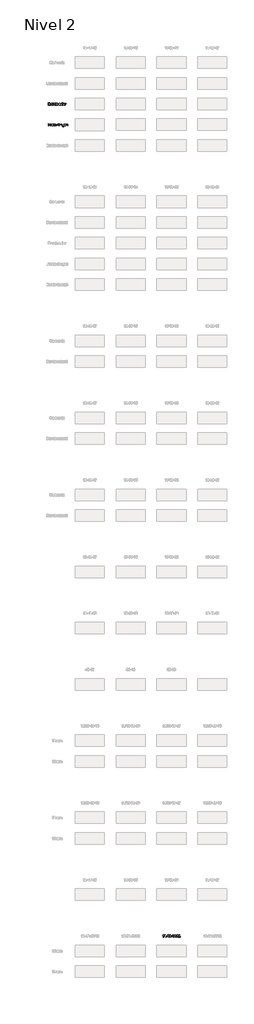
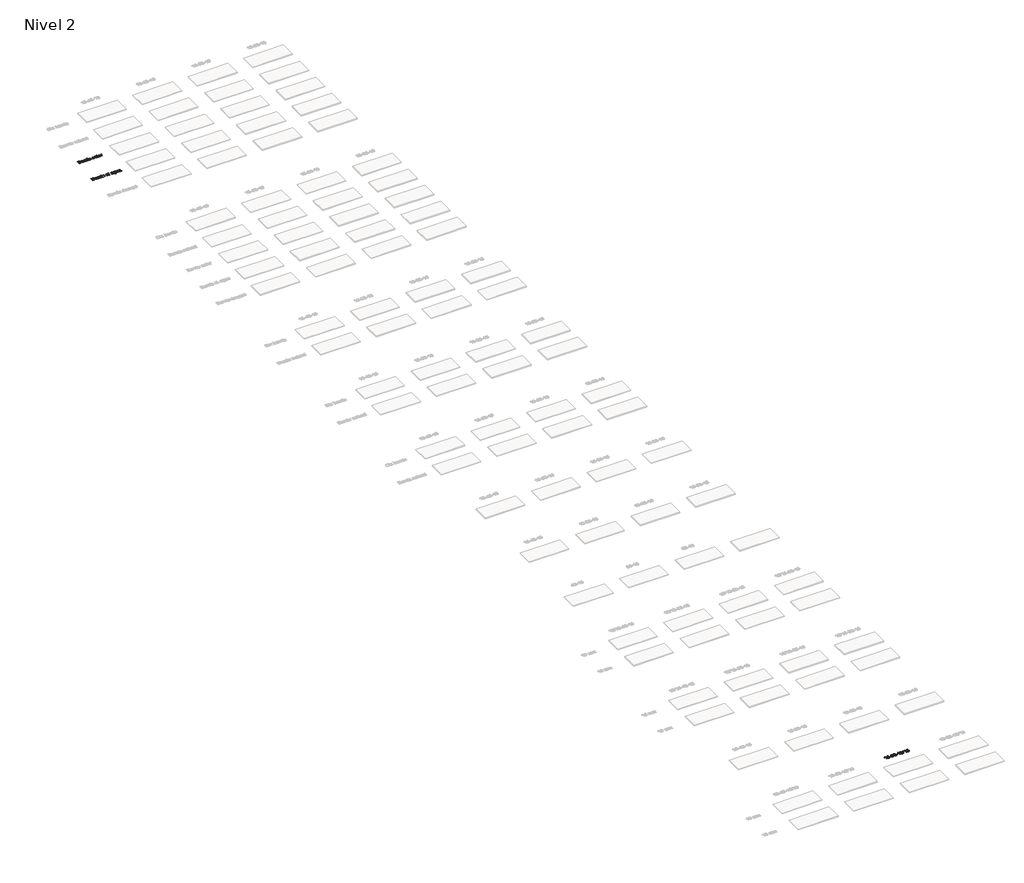
# One storey, part 15 of 51: 3 proxies.
"""IFC4 building model written with IfcOpenShell, lengths in millimetres."""

from ifc_helpers import new_model, si_unit, frame, origin, place, context, project, spatial, polyline, outline, extrude, element, save

model = new_model("IFC4")

# Units and contexts
model_context = context("Model", 3, world=origin())
ifc_project = project(units=[si_unit("LENGTHUNIT", "METRE", prefix="MILLI")], contexts=[model_context])

# Site, building, storey
site = spatial("IfcSite", under=ifc_project)
building = spatial("IfcBuilding", under=site)
storey = spatial("IfcBuildingStorey", under=building, Name="Nivel 2", Elevation=3000.0)

# Proxies
placement = place(None, origin())
element("IfcBuildingElementProxy", 1, Name="Texto de modelo 1", ObjectType="Texto de modelo 1", at=placement, inside=storey, context=model_context, shape_type="SweptSolid", body=[
    extrude(outline(polyline([(-14807.4966963, -6034.7825352), (-14807.4966963, -5632.9572946), (-14654.1634807, -5632.9572946), (-14611.9919413, -5635.9126133), (-14579.0665027, -5644.7785694), (-14553.8297979, -5659.7758921), (-14534.7244596, -5681.1253105), (-14522.6947183, -5706.2393881), (-14518.6848046, -5732.530688), (-14522.0570562, -5756.7250605), (-14532.1738111, -5779.4724306), (-14549.1086456, -5799.3748465), (-14572.9351361, -5815.0343568), (-14544.4733324, -5829.8967894), (-14523.4427451, -5852.5092694), (-14510.4565106, -5881.3757432), (-14506.1277658, -5915.0001576), (-14509.0830845, -5943.0205029), (-14517.9490406, -5969.0052345), (-14531.1805297, -5991.1026797), (-14547.2324474, -6007.4611657), (-14566.8896087, -6019.306966), (-14590.9368284, -6027.8663537), (-14620.1589216, -6033.0534899), (-14655.3407031, -6034.7825352), (-14807.4966963, -6034.7825352)]), holes=[polyline([(-14757.2685412, -5796.1987986), (-14665.5432971, -5796.1987986), (-14611.9796786, -5791.8823166), (-14593.2299595, -5784.4388375), (-14579.7532158, -5773.2920131), (-14571.6230237, -5758.6135215), (-14568.9129597, -5740.575041), (-14571.4390827, -5723.063858), (-14579.0174518, -5707.8090179), (-14591.3047104, -5695.901904), (-14607.9575021, -5688.4338995), (-14633.513038, -5684.4975622), (-14672.5085295, -5683.1854497), (-14757.2685412, -5683.1854497), (-14757.2685412, -5796.1987986)]), polyline([(-14757.2685412, -5984.5543802), (-14654.2615825, -5984.5543802), (-14616.9828737, -5982.5923429), (-14585.443124, -5971.6539849), (-14573.8671039, -5962.2239431), (-14564.5474267, -5949.3358105), (-14558.4037973, -5933.5659356), (-14556.3559209, -5915.4906669), (-14558.7594166, -5894.4968677), (-14565.9699037, -5876.4461245), (-14578.5637307, -5862.3317186), (-14597.117246, -5853.1469315), (-14623.3962831, -5848.1069482), (-14659.1666758, -5846.4269537), (-14757.2685412, -5846.4269537), (-14757.2685412, -5984.5543802)])]), frame((0.0, 0.0, 3000.0), z_axis=(0.0, 0.0, 1.0), x_axis=(1.0, 0.0, 0.0)), (0.0, 0.0, 1.0), 10.0),
    extrude(outline(polyline([(-14254.9869904, -5997.1114189), (-14278.9851593, -6017.6882852), (-14303.6945666, -6031.1527662), (-14329.6792982, -6038.5839825), (-14357.5034398, -6041.0610546), (-14379.8675994, -6039.5711325), (-14399.4787754, -6035.1013663), (-14416.3369678, -6027.6517559), (-14430.4421767, -6017.2223013), (-14441.5798041, -6004.4751902), (-14449.5352522, -5990.0726101), (-14454.3085211, -5974.014561), (-14455.8996107, -5956.3010429), (-14453.496115, -5935.478922), (-14446.2856279, -5916.5697875), (-14435.1633289, -5900.3829797), (-14421.0243976, -5887.727839), (-14404.4083942, -5878.1629072), (-14385.8548789, -5871.2467256), (-14342.3957525, -5863.692882), (-14291.039426, -5855.7466309), (-14255.281296, -5846.4269537), (-14254.9869904, -5835.2433411), (-14258.4450812, -5812.8270648), (-14268.8193535, -5798.1608359), (-14292.0204446, -5787.2715289), (-14324.3450093, -5783.6417599), (-14354.2660782, -5786.0575183), (-14375.1617755, -5793.3047936), (-14389.4110715, -5806.707961), (-14399.3929363, -5827.5913956), (-14449.6210914, -5821.3128762), (-14440.9022881, -5793.8443539), (-14427.8915282, -5772.2619435), (-14409.3748011, -5755.7563046), (-14384.1380962, -5743.5180969), (-14353.2727968, -5735.9397278), (-14317.8702862, -5733.4136048), (-14283.914778, -5735.6454222), (-14256.9980787, -5742.3408745), (-14236.7032553, -5752.4085785), (-14222.6133749, -5764.7571508), (-14213.2691722, -5780.0242536), (-14207.211382, -5798.847549), (-14204.7588354, -5842.7971847), (-14204.7588354, -5905.2880729), (-14202.2081869, -5992.5496822), (-14192.2017966, -6034.7825352), (-14242.4299517, -6034.7825352), (-14250.4743046, -6017.3204032), (-14254.9869904, -5997.1114189)]), holes=[polyline([(-14254.9869904, -5896.6551088), (-14288.7340321, -5905.0182928), (-14336.0191312, -5912.0571016), (-14379.2330029, -5920.1995565), (-14390.4779293, -5925.7668373), (-14398.8043251, -5933.4433083), (-14403.954673, -5942.6403582), (-14405.6714557, -5952.7693758), (-14401.9313221, -5967.7053848), (-14390.7109212, -5979.9435925), (-14372.2555078, -5988.1105728), (-14346.8103364, -5990.8328995), (-14319.8323235, -5987.8285299), (-14295.9935702, -5978.815421), (-14276.6675027, -5965.534881), (-14263.2275471, -5949.728218), (-14257.2678588, -5933.4433083), (-14255.281296, -5910.8798793), (-14254.9869904, -5896.6551088)])]), frame((0.0, 0.0, 3000.0), z_axis=(0.0, 0.0, 1.0), x_axis=(1.0, 0.0, 0.0)), (0.0, 0.0, 1.0), 10.0),
    extrude(outline(polyline([(-14135.6951221, -6034.7825352), (-14135.6951221, -5739.6921242), (-14091.7454865, -5739.6921242), (-14091.7454865, -5783.3474543), (-14075.5096277, -5758.037173), (-14060.5490933, -5743.1256895), (-14045.5395079, -5735.841626), (-14029.1564963, -5733.4136048), (-14004.1405207, -5737.2886285), (-13978.7321375, -5748.9136995), (-13995.5075565, -5793.9424557), (-14013.1658923, -5786.2169338), (-14030.824228, -5783.6417599), (-14045.8215507, -5786.118832), (-14059.2247181, -5793.5500483), (-14070.0527115, -5805.371323), (-14077.3245122, -5821.0185706), (-14083.4313534, -5849.0757041), (-14085.4669671, -5879.6834861), (-14085.4669671, -6034.7825352), (-14135.6951221, -6034.7825352)])), frame((0.0, 0.0, 3000.0), z_axis=(0.0, 0.0, 1.0), x_axis=(1.0, 0.0, 0.0)), (0.0, 0.0, 1.0), 10.0),
    extrude(outline(polyline([(-13947.3395406, -6034.7825352), (-13947.3395406, -5739.6921242), (-13897.1113855, -5739.6921242), (-13897.1113855, -5780.8949076), (-13879.6615162, -5760.1218376), (-13858.7045052, -5745.2839305), (-13834.2403526, -5736.3811862), (-13806.2690582, -5733.4136048), (-13781.5105999, -5735.8048378), (-13758.8368063, -5742.9785367), (-13739.9276717, -5754.039522), (-13726.4631907, -5768.0926142), (-13717.3274545, -5785.1010251), (-13711.4045544, -5805.0279665), (-13708.755804, -5853.5883899), (-13708.755804, -6034.7825352), (-13758.9839591, -6034.7825352), (-13758.9839591, -5860.3574186), (-13760.4309616, -5834.3849497), (-13764.7719691, -5815.9172736), (-13772.7795339, -5802.6857845), (-13785.2262081, -5792.4218768), (-13801.1800239, -5785.8367891), (-13819.7090138, -5783.6417599), (-13849.1273106, -5788.5713786), (-13874.2046, -5803.3602348), (-13884.2263187, -5815.4328956), (-13891.3846891, -5831.9324031), (-13895.6797114, -5852.8587573), (-13897.1113855, -5878.2119581), (-13897.1113855, -6034.7825352), (-13947.3395406, -6034.7825352)])), frame((0.0, 0.0, 3000.0), z_axis=(0.0, 0.0, 1.0), x_axis=(1.0, 0.0, 0.0)), (0.0, 0.0, 1.0), 10.0),
    extrude(outline(polyline([(-13639.6920908, -5683.1854497), (-13639.6920908, -5632.9572946), (-13589.4639357, -5632.9572946), (-13589.4639357, -5683.1854497), (-13639.6920908, -5683.1854497)])), frame((0.0, 0.0, 3000.0), z_axis=(0.0, 0.0, 1.0), x_axis=(1.0, 0.0, 0.0)), (0.0, 0.0, 1.0), 10.0),
    extrude(outline(polyline([(-13639.6920908, -6034.7825352), (-13639.6920908, -5739.6921242), (-13589.4639357, -5739.6921242), (-13589.4639357, -6034.7825352), (-13639.6920908, -6034.7825352)])), frame((0.0, 0.0, 3000.0), z_axis=(0.0, 0.0, 1.0), x_axis=(1.0, 0.0, 0.0)), (0.0, 0.0, 1.0), 10.0),
    extrude(outline(polyline([(-13545.5143, -6034.7825352), (-13545.5143, -5987.4974361), (-13372.1683039, -5789.9202792), (-13423.4755795, -5789.9202792), (-13532.9572612, -5789.9202792), (-13532.9572612, -5739.6921242), (-13300.652044, -5739.6921242), (-13300.652044, -5782.3664356), (-13454.3776671, -5957.674469), (-13477.9221148, -5984.5543802), (-13419.8458105, -5984.5543802), (-13294.3735246, -5984.5543802), (-13294.3735246, -6034.7825352), (-13545.5143, -6034.7825352)])), frame((0.0, 0.0, 3000.0), z_axis=(0.0, 0.0, 1.0), x_axis=(1.0, 0.0, 0.0)), (0.0, 0.0, 1.0), 10.0),
    extrude(outline(polyline([(-12898.8268034, -5997.1114189), (-12922.8249722, -6017.6882852), (-12947.5343796, -6031.1527662), (-12973.5191112, -6038.5839825), (-13001.3432527, -6041.0610546), (-13023.7074124, -6039.5711325), (-13043.3185884, -6035.1013663), (-13060.1767808, -6027.6517559), (-13074.2819897, -6017.2223013), (-13085.4196171, -6004.4751902), (-13093.3750652, -5990.0726101), (-13098.1483341, -5974.014561), (-13099.7394237, -5956.3010429), (-13097.335928, -5935.478922), (-13090.1254409, -5916.5697875), (-13079.0031419, -5900.3829797), (-13064.8642106, -5887.727839), (-13048.2482071, -5878.1629072), (-13029.6946918, -5871.2467256), (-12986.2355655, -5863.692882), (-12934.879239, -5855.7466309), (-12899.121109, -5846.4269537), (-12898.8268034, -5835.2433411), (-12902.2848942, -5812.8270648), (-12912.6591664, -5798.1608359), (-12935.8602576, -5787.2715289), (-12968.1848222, -5783.6417599), (-12998.1058912, -5786.0575183), (-13019.0015885, -5793.3047936), (-13033.2508845, -5806.707961), (-13043.2327493, -5827.5913956), (-13093.4609043, -5821.3128762), (-13084.7421011, -5793.8443539), (-13071.7313412, -5772.2619435), (-13053.2146141, -5755.7563046), (-13027.9779092, -5743.5180969), (-12997.1126098, -5735.9397278), (-12961.7100991, -5733.4136048), (-12927.754591, -5735.6454222), (-12900.8378917, -5742.3408745), (-12880.5430683, -5752.4085785), (-12866.4531878, -5764.7571508), (-12857.1089852, -5780.0242536), (-12851.051195, -5798.847549), (-12848.5986483, -5842.7971847), (-12848.5986483, -5905.2880729), (-12846.0479998, -5992.5496822), (-12836.0416096, -6034.7825352), (-12886.2697647, -6034.7825352), (-12894.3141176, -6017.3204032), (-12898.8268034, -5997.1114189)]), holes=[polyline([(-12898.8268034, -5896.6551088), (-12932.5738451, -5905.0182928), (-12979.8589442, -5912.0571016), (-13023.0728159, -5920.1995565), (-13034.3177422, -5925.7668373), (-13042.6441381, -5933.4433083), (-13047.794486, -5942.6403582), (-13049.5112686, -5952.7693758), (-13045.771135, -5967.7053848), (-13034.5507342, -5979.9435925), (-13016.0953208, -5988.1105728), (-12990.6501494, -5990.8328995), (-12963.6721364, -5987.8285299), (-12939.8333832, -5978.815421), (-12920.5073157, -5965.534881), (-12907.0673601, -5949.728218), (-12901.1076718, -5933.4433083), (-12899.121109, -5910.8798793), (-12898.8268034, -5896.6551088)])]), frame((0.0, 0.0, 3000.0), z_axis=(0.0, 0.0, 1.0), x_axis=(1.0, 0.0, 0.0)), (0.0, 0.0, 1.0), 10.0),
    extrude(outline(polyline([(-12779.5349351, -6034.7825352), (-12779.5349351, -5632.9572946), (-12729.30678, -5632.9572946), (-12729.30678, -6034.7825352), (-12779.5349351, -6034.7825352)])), frame((0.0, 0.0, 3000.0), z_axis=(0.0, 0.0, 1.0), x_axis=(1.0, 0.0, 0.0)), (0.0, 0.0, 1.0), 10.0),
    extrude(outline(polyline([(-12308.6459813, -5997.1114189), (-12332.6441501, -6017.6882852), (-12357.3535575, -6031.1527662), (-12383.338289, -6038.5839825), (-12411.1624306, -6041.0610546), (-12433.5265902, -6039.5711325), (-12453.1377663, -6035.1013663), (-12469.9959587, -6027.6517559), (-12484.1011675, -6017.2223013), (-12495.2387949, -6004.4751902), (-12503.1942431, -5990.0726101), (-12507.967512, -5974.014561), (-12509.5586016, -5956.3010429), (-12507.1551059, -5935.478922), (-12499.9446188, -5916.5697875), (-12488.8223198, -5900.3829797), (-12474.6833885, -5887.727839), (-12458.067385, -5878.1629072), (-12439.5138697, -5871.2467256), (-12396.0547433, -5863.692882), (-12344.6984168, -5855.7466309), (-12308.9402869, -5846.4269537), (-12308.6459813, -5835.2433411), (-12312.104072, -5812.8270648), (-12322.4783443, -5798.1608359), (-12345.6794355, -5787.2715289), (-12378.0040001, -5783.6417599), (-12407.9250691, -5786.0575183), (-12428.8207664, -5793.3047936), (-12443.0700623, -5806.707961), (-12453.0519271, -5827.5913956), (-12503.2800822, -5821.3128762), (-12494.5612789, -5793.8443539), (-12481.550519, -5772.2619435), (-12463.0337919, -5755.7563046), (-12437.7970871, -5743.5180969), (-12406.9317877, -5735.9397278), (-12371.529277, -5733.4136048), (-12337.5737688, -5735.6454222), (-12310.6570695, -5742.3408745), (-12290.3622461, -5752.4085785), (-12276.2723657, -5764.7571508), (-12266.928163, -5780.0242536), (-12260.8703729, -5798.847549), (-12258.4178262, -5842.7971847), (-12258.4178262, -5905.2880729), (-12255.8671777, -5992.5496822), (-12245.8607875, -6034.7825352), (-12296.0889425, -6034.7825352), (-12304.1332955, -6017.3204032), (-12308.6459813, -5997.1114189)]), holes=[polyline([(-12308.6459813, -5896.6551088), (-12342.393023, -5905.0182928), (-12389.6781221, -5912.0571016), (-12432.8919938, -5920.1995565), (-12444.1369201, -5925.7668373), (-12452.4633159, -5933.4433083), (-12457.6136639, -5942.6403582), (-12459.3304465, -5952.7693758), (-12455.5903129, -5967.7053848), (-12444.369912, -5979.9435925), (-12425.9144986, -5988.1105728), (-12400.4693273, -5990.8328995), (-12373.4913143, -5987.8285299), (-12349.652561, -5978.815421), (-12330.3264935, -5965.534881), (-12316.886538, -5949.728218), (-12310.9268497, -5933.4433083), (-12308.9402869, -5910.8798793), (-12308.6459813, -5896.6551088)])]), frame((0.0, 0.0, 3000.0), z_axis=(0.0, 0.0, 1.0), x_axis=(1.0, 0.0, 0.0)), (0.0, 0.0, 1.0), 10.0),
    extrude(outline(polyline([(-12201.9111518, -6059.8966128), (-12151.6829967, -6066.1751322), (-12146.1402413, -6081.8714306), (-12135.398087, -6092.6626358), (-12114.2816605, -6101.0503453), (-12086.6414599, -6103.8462485), (-12057.1618494, -6100.6824633), (-12035.2360825, -6091.1911078), (-12020.0302933, -6075.9853187), (-12010.7106161, -6055.6782326), (-12007.2770508, -5997.1114189), (-12023.9911562, -6013.5925323), (-12042.6427733, -6025.3647562), (-12063.2319023, -6032.4280905), (-12085.7585432, -6034.7825352), (-12113.2975762, -6032.0418144), (-12137.5440653, -6023.8196518), (-12158.4980106, -6010.1160475), (-12176.1594121, -5990.9310014), (-12190.1726504, -5967.9138512), (-12200.1821064, -5942.7139346), (-12206.18778, -5915.3312514), (-12208.1896711, -5885.7658017), (-12204.5966903, -5845.2129431), (-12193.8177479, -5807.9219715), (-12176.2329885, -5776.3209082), (-12152.2225569, -5752.8377741), (-12122.6080563, -5738.2696471), (-12088.2110898, -5733.4136048), (-12064.7218244, -5736.160457), (-12043.4030628, -5744.4010137), (-12024.2548049, -5758.1352749), (-12007.2770508, -5777.3632405), (-12007.2770508, -5739.6921242), (-11957.0488958, -5739.6921242), (-11957.0488958, -5994.4626686), (-11960.4824611, -6053.2869996), (-11970.7831569, -6092.0249737), (-11988.5273318, -6117.7153997), (-12014.2913342, -6137.3970864), (-12047.5110784, -6149.9050743), (-12087.6224786, -6154.0744035), (-12112.2307184, -6152.6059412), (-12134.3557547, -6148.2005543), (-12153.9975876, -6140.8582429), (-12171.156217, -6130.5790068), (-12185.0161711, -6117.3505834), (-12194.7619783, -6101.1607099), (-12200.3936385, -6082.0093864), (-12201.9111518, -6059.8966128)]), holes=[polyline([(-12157.9615161, -5882.3322364), (-12152.6027017, -5928.403325), (-12145.9041837, -5946.040201), (-12136.5262585, -5960.0779647), (-12125.1249823, -5970.7863965), (-12112.3564114, -5978.4352763), (-12098.2205457, -5983.0246042), (-12082.7173853, -5984.5543802), (-12067.3675091, -5983.0338012), (-12053.2990884, -5978.4720645), (-12040.5121234, -5970.8691699), (-12029.006614, -5960.2251175), (-12019.4999301, -5946.3253095), (-12012.7094416, -5928.955148), (-12007.2770508, -5883.8037644), (-12012.8688572, -5840.2587989), (-12019.8586151, -5823.05725), (-12029.6442762, -5808.9029902), (-12041.3981059, -5797.8512019), (-12054.2923698, -5789.9570674), (-12068.3270679, -5785.2205868), (-12083.5022002, -5783.6417599), (-12098.4228808, -5785.1960613), (-12112.1847331, -5789.8589656), (-12136.2319529, -5808.5105827), (-12145.7386368, -5822.4502447), (-12152.5291253, -5839.4004076), (-12157.9615161, -5882.3322364)])]), frame((0.0, 0.0, 3000.0), z_axis=(0.0, 0.0, 1.0), x_axis=(1.0, 0.0, 0.0)), (0.0, 0.0, 1.0), 10.0),
    extrude(outline(polyline([(-11693.3510816, -6034.7825352), (-11693.3510816, -5984.0638708), (-11711.5244522, -6009.0001387), (-11732.6899296, -6026.8117587), (-11756.847514, -6037.4987306), (-11783.9972052, -6041.0610546), (-11808.4613579, -6038.5594571), (-11831.2332534, -6031.0546644), (-11850.3385917, -6019.7729498), (-11863.8030727, -6005.9405868), (-11872.8652325, -5989.1406424), (-11878.7636072, -5968.9561836), (-11881.7066632, -5922.2596956), (-11881.7066632, -5739.6921242), (-11831.4785081, -5739.6921242), (-11831.4785081, -5898.6171461), (-11828.4373503, -5949.8263198), (-11821.1164986, -5966.9083071), (-11808.5717225, -5979.8945416), (-11791.636888, -5988.09831), (-11771.1458609, -5990.8328995), (-11749.4776114, -5988.0369964), (-11729.2073134, -5979.6492869), (-11712.4932081, -5966.4423233), (-11701.4935365, -5949.1886577), (-11695.3866953, -5925.5583709), (-11693.3510816, -5893.2215435), (-11693.3510816, -5739.6921242), (-11643.1229266, -5739.6921242), (-11643.1229266, -6034.7825352), (-11693.3510816, -6034.7825352)])), frame((0.0, 0.0, 3000.0), z_axis=(0.0, 0.0, 1.0), x_axis=(1.0, 0.0, 0.0)), (0.0, 0.0, 1.0), 10.0),
    extrude(outline(polyline([(-11385.7036318, -5997.1114189), (-11409.7018006, -6017.6882852), (-11434.411208, -6031.1527662), (-11460.3959395, -6038.5839825), (-11488.2200811, -6041.0610546), (-11510.5842407, -6039.5711325), (-11530.1954168, -6035.1013663), (-11547.0536092, -6027.6517559), (-11561.158818, -6017.2223013), (-11572.2964454, -6004.4751902), (-11580.2518936, -5990.0726101), (-11585.0251625, -5974.014561), (-11586.6162521, -5956.3010429), (-11584.2127564, -5935.478922), (-11577.0022693, -5916.5697875), (-11565.8799703, -5900.3829797), (-11551.741039, -5887.727839), (-11535.1250355, -5878.1629072), (-11516.5715202, -5871.2467256), (-11473.1123938, -5863.692882), (-11421.7560673, -5855.7466309), (-11385.9979374, -5846.4269537), (-11385.7036318, -5835.2433411), (-11389.1617226, -5812.8270648), (-11399.5359948, -5798.1608359), (-11422.737086, -5787.2715289), (-11455.0616506, -5783.6417599), (-11484.9827196, -5786.0575183), (-11505.8784169, -5793.3047936), (-11520.1277128, -5806.707961), (-11530.1095776, -5827.5913956), (-11580.3377327, -5821.3128762), (-11571.6189294, -5793.8443539), (-11558.6081695, -5772.2619435), (-11540.0914424, -5755.7563046), (-11514.8547376, -5743.5180969), (-11483.9894382, -5735.9397278), (-11448.5869275, -5733.4136048), (-11414.6314193, -5735.6454222), (-11387.71472, -5742.3408745), (-11367.4198966, -5752.4085785), (-11353.3300162, -5764.7571508), (-11343.9858135, -5780.0242536), (-11337.9280234, -5798.847549), (-11335.4754767, -5842.7971847), (-11335.4754767, -5905.2880729), (-11332.9248282, -5992.5496822), (-11322.918438, -6034.7825352), (-11373.146593, -6034.7825352), (-11381.190946, -6017.3204032), (-11385.7036318, -5997.1114189)]), holes=[polyline([(-11385.7036318, -5896.6551088), (-11419.4506735, -5905.0182928), (-11466.7357726, -5912.0571016), (-11509.9496443, -5920.1995565), (-11521.1945706, -5925.7668373), (-11529.5209664, -5933.4433083), (-11534.6713144, -5942.6403582), (-11536.388097, -5952.7693758), (-11532.6479634, -5967.7053848), (-11521.4275625, -5979.9435925), (-11502.9721491, -5988.1105728), (-11477.5269778, -5990.8328995), (-11450.5489648, -5987.8285299), (-11426.7102115, -5978.815421), (-11407.384144, -5965.534881), (-11393.9441885, -5949.728218), (-11387.9845002, -5933.4433083), (-11385.9979374, -5910.8798793), (-11385.7036318, -5896.6551088)])]), frame((0.0, 0.0, 3000.0), z_axis=(0.0, 0.0, 1.0), x_axis=(1.0, 0.0, 0.0)), (0.0, 0.0, 1.0), 10.0),
])
element("IfcBuildingElementProxy", 2, Name="Texto de modelo 1", ObjectType="Texto de modelo 1", at=placement, inside=storey, context=model_context, shape_type="SweptSolid", body=[
    extrude(outline(polyline([(-14502.9885061, -2634.7825352), (-14502.9885061, -2232.9572946), (-14349.6552905, -2232.9572946), (-14307.4837512, -2235.9126133), (-14274.5583126, -2244.7785694), (-14249.3216077, -2259.7758921), (-14230.2162694, -2281.1253105), (-14218.1865282, -2306.2393881), (-14214.1766144, -2332.530688), (-14217.5488661, -2356.7250605), (-14227.6656209, -2379.4724306), (-14244.6004554, -2399.3748465), (-14268.426946, -2415.0343568), (-14239.9651423, -2429.8967894), (-14218.9345549, -2452.5092694), (-14205.9483205, -2481.3757432), (-14201.6195757, -2515.0001576), (-14204.5748944, -2543.0205029), (-14213.4408505, -2569.0052345), (-14226.6723395, -2591.1026797), (-14242.7242573, -2607.4611657), (-14262.3814185, -2619.306966), (-14286.4286383, -2627.8663537), (-14315.6507314, -2633.0534899), (-14350.8325129, -2634.7825352), (-14502.9885061, -2634.7825352)]), holes=[polyline([(-14452.7603511, -2396.1987986), (-14361.0351069, -2396.1987986), (-14307.4714884, -2391.8823166), (-14288.7217694, -2384.4388375), (-14275.2450256, -2373.2920131), (-14267.1148336, -2358.6135215), (-14264.4047695, -2340.575041), (-14266.9308926, -2323.063858), (-14274.5092617, -2307.8090179), (-14286.7965203, -2295.901904), (-14303.4493119, -2288.4338995), (-14329.0048479, -2284.4975622), (-14368.0003394, -2283.1854497), (-14452.7603511, -2283.1854497), (-14452.7603511, -2396.1987986)]), polyline([(-14452.7603511, -2584.5543802), (-14349.7533924, -2584.5543802), (-14312.4746836, -2582.5923429), (-14280.9349338, -2571.6539849), (-14269.3589137, -2562.2239431), (-14260.0392365, -2549.3358105), (-14253.8956072, -2533.5659356), (-14251.8477308, -2515.4906669), (-14254.2512265, -2494.4968677), (-14261.4617136, -2476.4461245), (-14274.0555405, -2462.3317186), (-14292.6090558, -2453.1469315), (-14318.888093, -2448.1069482), (-14354.6584857, -2446.4269537), (-14452.7603511, -2446.4269537), (-14452.7603511, -2584.5543802)])]), frame((0.0, 0.0, 3000.0), z_axis=(0.0, 0.0, 1.0), x_axis=(1.0, 0.0, 0.0)), (0.0, 0.0, 1.0), 10.0),
    extrude(outline(polyline([(-13950.4788003, -2597.1114189), (-13974.4769691, -2617.6882852), (-13999.1863765, -2631.1527662), (-14025.1711081, -2638.5839825), (-14052.9952496, -2641.0610546), (-14075.3594092, -2639.5711325), (-14094.9705853, -2635.1013663), (-14111.8287777, -2627.6517559), (-14125.9339865, -2617.2223013), (-14137.0716139, -2604.4751902), (-14145.0270621, -2590.0726101), (-14149.800331, -2574.014561), (-14151.3914206, -2556.3010429), (-14148.9879249, -2535.478922), (-14141.7774378, -2516.5697875), (-14130.6551388, -2500.3829797), (-14116.5162075, -2487.727839), (-14099.900204, -2478.1629072), (-14081.3466887, -2471.2467256), (-14037.8875624, -2463.692882), (-13986.5312358, -2455.7466309), (-13950.7731059, -2446.4269537), (-13950.4788003, -2435.2433411), (-13953.9368911, -2412.8270648), (-13964.3111633, -2398.1608359), (-13987.5122545, -2387.2715289), (-14019.8368191, -2383.6417599), (-14049.7578881, -2386.0575183), (-14070.6535854, -2393.3047936), (-14084.9028813, -2406.707961), (-14094.8847461, -2427.5913956), (-14145.1129012, -2421.3128762), (-14136.3940979, -2393.8443539), (-14123.383338, -2372.2619435), (-14104.8666109, -2355.7563046), (-14079.6299061, -2343.5180969), (-14048.7646067, -2335.9397278), (-14013.362096, -2333.4136048), (-13979.4065879, -2335.6454222), (-13952.4898885, -2342.3408745), (-13932.1950651, -2352.4085785), (-13918.1051847, -2364.7571508), (-13908.760982, -2380.0242536), (-13902.7031919, -2398.847549), (-13900.2506452, -2442.7971847), (-13900.2506452, -2505.2880729), (-13897.6999967, -2592.5496822), (-13887.6936065, -2634.7825352), (-13937.9217615, -2634.7825352), (-13945.9661145, -2617.3204032), (-13950.4788003, -2597.1114189)]), holes=[polyline([(-13950.4788003, -2496.6551088), (-13984.225842, -2505.0182928), (-14031.5109411, -2512.0571016), (-14074.7248128, -2520.1995565), (-14085.9697391, -2525.7668373), (-14094.296135, -2533.4433083), (-14099.4464829, -2542.6403582), (-14101.1632655, -2552.7693758), (-14097.4231319, -2567.7053848), (-14086.2027311, -2579.9435925), (-14067.7473176, -2588.1105728), (-14042.3021463, -2590.8328995), (-14015.3241333, -2587.8285299), (-13991.48538, -2578.815421), (-13972.1593126, -2565.534881), (-13958.719357, -2549.728218), (-13952.7596687, -2533.4433083), (-13950.7731059, -2510.8798793), (-13950.4788003, -2496.6551088)])]), frame((0.0, 0.0, 3000.0), z_axis=(0.0, 0.0, 1.0), x_axis=(1.0, 0.0, 0.0)), (0.0, 0.0, 1.0), 10.0),
    extrude(outline(polyline([(-13831.186932, -2634.7825352), (-13831.186932, -2339.6921242), (-13787.2372963, -2339.6921242), (-13787.2372963, -2383.3474543), (-13771.0014376, -2358.037173), (-13756.0409031, -2343.1256895), (-13741.0313177, -2335.841626), (-13724.6483062, -2333.4136048), (-13699.6323305, -2337.2886285), (-13674.2239474, -2348.9136995), (-13690.9993664, -2393.9424557), (-13708.6577021, -2386.2169338), (-13726.3160379, -2383.6417599), (-13741.3133606, -2386.118832), (-13754.7165279, -2393.5500483), (-13765.5445213, -2405.371323), (-13772.8163221, -2421.0185706), (-13778.9231632, -2449.0757041), (-13780.9587769, -2479.6834861), (-13780.9587769, -2634.7825352), (-13831.186932, -2634.7825352)])), frame((0.0, 0.0, 3000.0), z_axis=(0.0, 0.0, 1.0), x_axis=(1.0, 0.0, 0.0)), (0.0, 0.0, 1.0), 10.0),
    extrude(outline(polyline([(-13642.8313505, -2634.7825352), (-13642.8313505, -2339.6921242), (-13592.6031954, -2339.6921242), (-13592.6031954, -2380.8949076), (-13575.1533261, -2360.1218376), (-13554.1963151, -2345.2839305), (-13529.7321624, -2336.3811862), (-13501.7608681, -2333.4136048), (-13477.0024098, -2335.8048378), (-13454.3286161, -2342.9785367), (-13435.4194816, -2354.039522), (-13421.9550006, -2368.0926142), (-13412.8192644, -2385.1010251), (-13406.8963642, -2405.0279665), (-13404.2476139, -2453.5883899), (-13404.2476139, -2634.7825352), (-13454.4757689, -2634.7825352), (-13454.4757689, -2460.3574186), (-13455.9227715, -2434.3849497), (-13460.263779, -2415.9172736), (-13468.2713438, -2402.6857845), (-13480.7180179, -2392.4218768), (-13496.6718338, -2385.8367891), (-13515.2008236, -2383.6417599), (-13544.6191205, -2388.5713786), (-13569.6964098, -2403.3602348), (-13579.7181285, -2415.4328956), (-13586.876499, -2431.9324031), (-13591.1715213, -2452.8587573), (-13592.6031954, -2478.2119581), (-13592.6031954, -2634.7825352), (-13642.8313505, -2634.7825352)])), frame((0.0, 0.0, 3000.0), z_axis=(0.0, 0.0, 1.0), x_axis=(1.0, 0.0, 0.0)), (0.0, 0.0, 1.0), 10.0),
    extrude(outline(polyline([(-13335.1839006, -2283.1854497), (-13335.1839006, -2232.9572946), (-13284.9557456, -2232.9572946), (-13284.9557456, -2283.1854497), (-13335.1839006, -2283.1854497)])), frame((0.0, 0.0, 3000.0), z_axis=(0.0, 0.0, 1.0), x_axis=(1.0, 0.0, 0.0)), (0.0, 0.0, 1.0), 10.0),
    extrude(outline(polyline([(-13335.1839006, -2634.7825352), (-13335.1839006, -2339.6921242), (-13284.9557456, -2339.6921242), (-13284.9557456, -2634.7825352), (-13335.1839006, -2634.7825352)])), frame((0.0, 0.0, 3000.0), z_axis=(0.0, 0.0, 1.0), x_axis=(1.0, 0.0, 0.0)), (0.0, 0.0, 1.0), 10.0),
    extrude(outline(polyline([(-13241.0061099, -2634.7825352), (-13241.0061099, -2587.4974361), (-13067.6601137, -2389.9202792), (-13118.9673893, -2389.9202792), (-13228.4490711, -2389.9202792), (-13228.4490711, -2339.6921242), (-12996.1438539, -2339.6921242), (-12996.1438539, -2382.3664356), (-13149.8694769, -2557.674469), (-13173.4139246, -2584.5543802), (-13115.3376203, -2584.5543802), (-12989.8653345, -2584.5543802), (-12989.8653345, -2634.7825352), (-13241.0061099, -2634.7825352)])), frame((0.0, 0.0, 3000.0), z_axis=(0.0, 0.0, 1.0), x_axis=(1.0, 0.0, 0.0)), (0.0, 0.0, 1.0), 10.0),
    extrude(outline(polyline([(-12594.3186133, -2528.0477057), (-12544.0904582, -2534.3262251), (-12549.5535058, -2558.0270226), (-12558.0944995, -2578.999362), (-12569.7134392, -2597.2432433), (-12584.4103249, -2612.7586665), (-12601.5658886, -2625.1409613), (-12620.5608623, -2633.9854576), (-12641.3952459, -2639.2921554), (-12664.0690396, -2641.0610546), (-12692.2396033, -2638.5931796), (-12717.497768, -2631.1895544), (-12739.8435335, -2618.8501792), (-12759.2768999, -2601.5750538), (-12775.0069209, -2579.6891408), (-12786.2426502, -2553.5174025), (-12792.9840877, -2523.059839), (-12795.2312336, -2488.3164502), (-12791.3929981, -2443.6187878), (-12779.8782917, -2404.8808137), (-12760.5031732, -2373.5985814), (-12733.0837019, -2351.2681443), (-12700.2808906, -2337.8772397), (-12664.7557526, -2333.4136048), (-12642.4713008, -2334.9464464), (-12622.3144331, -2339.5449714), (-12604.2851497, -2347.2091796), (-12588.3834504, -2357.9390711), (-12574.8791155, -2371.4893913), (-12564.0419251, -2387.6148854), (-12555.8718791, -2406.3155535), (-12550.3689776, -2427.5913956), (-12600.5971327, -2433.8699149), (-12609.7083434, -2411.9564108), (-12623.8963257, -2396.2478496), (-12642.3762646, -2386.7932823), (-12664.3633452, -2383.6417599), (-12681.4300041, -2385.1929956), (-12696.8227999, -2389.8467028), (-12710.5417326, -2397.6028816), (-12722.5868023, -2408.4615318), (-12732.3939231, -2422.6740396), (-12739.3990094, -2440.4917909), (-12743.6020612, -2461.9147857), (-12745.0030785, -2486.9430241), (-12739.5216368, -2534.0196568), (-12732.6698346, -2551.9569697), (-12723.0773116, -2566.1602804), (-12711.2713652, -2576.9545513), (-12697.7792931, -2584.6647448), (-12682.6010951, -2589.2908608), (-12665.7367713, -2590.8328995), (-12639.7275142, -2586.9824013), (-12618.4026212, -2575.4309067), (-12602.8902638, -2555.88411), (-12594.3186133, -2528.0477057)])), frame((0.0, 0.0, 3000.0), z_axis=(0.0, 0.0, 1.0), x_axis=(1.0, 0.0, 0.0)), (0.0, 0.0, 1.0), 10.0),
    extrude(outline(polyline([(-12512.6978613, -2487.2373297), (-12509.9816659, -2449.0205218), (-12501.8330797, -2416.0889518), (-12488.2521027, -2388.4426199), (-12469.2387349, -2366.081526), (-12450.0966084, -2351.7893104), (-12428.9679192, -2341.5805851), (-12405.8526672, -2335.4553499), (-12380.7508523, -2333.4136048), (-12353.0401411, -2335.8998739), (-12327.9843115, -2343.3586814), (-12305.5833637, -2355.7900271), (-12285.8372976, -2373.1939112), (-12269.7210005, -2394.9817224), (-12258.2093598, -2420.5648494), (-12251.3023753, -2449.9432924), (-12249.0000471, -2483.1170514), (-12253.0712746, -2533.8602412), (-12265.2849568, -2572.4878507), (-12285.2854746, -2601.4156383), (-12312.7172087, -2623.0593623), (-12345.2992907, -2636.5606315), (-12380.7508523, -2641.0610546), (-12408.8662338, -2638.5839825), (-12434.1550553, -2631.1527662), (-12456.6173168, -2618.7674057), (-12476.2530183, -2601.427901), (-12492.1976371, -2579.4285577), (-12503.5866505, -2553.0636814), (-12510.4200586, -2522.333272), (-12512.6978613, -2487.2373297)]), holes=[polyline([(-12462.4697062, -2487.1392278), (-12461.0165723, -2511.502213), (-12456.6571707, -2532.5971797), (-12449.3915013, -2550.4241281), (-12439.2195641, -2564.983058), (-12426.8464663, -2576.2923637), (-12412.9773151, -2584.3704392), (-12397.6121105, -2589.2172845), (-12380.7508523, -2590.8328995), (-12363.9754334, -2589.2080874), (-12348.6715424, -2584.333651), (-12334.8391794, -2576.2095902), (-12322.4783443, -2564.8359052), (-12312.3064071, -2550.1328881), (-12305.0407377, -2532.0208313), (-12300.6813361, -2510.4997345), (-12299.2282022, -2485.569598), (-12300.6905331, -2461.9791651), (-12305.0775259, -2441.4360213), (-12312.3891806, -2423.9401668), (-12322.6254971, -2409.4916014), (-12335.0323174, -2398.1822957), (-12348.8554834, -2390.1042202), (-12364.094995, -2385.257375), (-12380.7508523, -2383.6417599), (-12397.6121105, -2385.2512436), (-12412.9773151, -2390.0796948), (-12426.8464663, -2398.1271134), (-12439.2195641, -2409.3934995), (-12449.3915013, -2423.9095099), (-12456.6571707, -2441.7058014), (-12461.0165723, -2462.7823741), (-12462.4697062, -2487.1392278)])]), frame((0.0, 0.0, 3000.0), z_axis=(0.0, 0.0, 1.0), x_axis=(1.0, 0.0, 0.0)), (0.0, 0.0, 1.0), 10.0),
    extrude(outline(polyline([(-12192.4933727, -2634.7825352), (-12192.4933727, -2232.9572946), (-12142.2652176, -2232.9572946), (-12142.2652176, -2634.7825352), (-12192.4933727, -2634.7825352)])), frame((0.0, 0.0, 3000.0), z_axis=(0.0, 0.0, 1.0), x_axis=(1.0, 0.0, 0.0)), (0.0, 0.0, 1.0), 10.0),
    extrude(outline(polyline([(-12079.4800238, -2487.2373297), (-12076.7638284, -2449.0205218), (-12068.6152422, -2416.0889518), (-12055.0342652, -2388.4426199), (-12036.0208974, -2366.081526), (-12016.8787709, -2351.7893104), (-11995.7500817, -2341.5805851), (-11972.6348296, -2335.4553499), (-11947.5330148, -2333.4136048), (-11919.8223035, -2335.8998739), (-11894.766474, -2343.3586814), (-11872.3655262, -2355.7900271), (-11852.6194601, -2373.1939112), (-11836.503163, -2394.9817224), (-11824.9915222, -2420.5648494), (-11818.0845378, -2449.9432924), (-11815.7822096, -2483.1170514), (-11819.853437, -2533.8602412), (-11832.0671193, -2572.4878507), (-11852.0676371, -2601.4156383), (-11879.4993712, -2623.0593623), (-11912.0814532, -2636.5606315), (-11947.5330148, -2641.0610546), (-11975.6483963, -2638.5839825), (-12000.9372178, -2631.1527662), (-12023.3994793, -2618.7674057), (-12043.0351808, -2601.427901), (-12058.9797996, -2579.4285577), (-12070.368813, -2553.0636814), (-12077.2022211, -2522.333272), (-12079.4800238, -2487.2373297)]), holes=[polyline([(-12029.2518687, -2487.1392278), (-12027.7987348, -2511.502213), (-12023.4393332, -2532.5971797), (-12016.1736638, -2550.4241281), (-12006.0017266, -2564.983058), (-11993.6286288, -2576.2923637), (-11979.7594776, -2584.3704392), (-11964.3942729, -2589.2172845), (-11947.5330148, -2590.8328995), (-11930.7575958, -2589.2080874), (-11915.4537049, -2584.333651), (-11901.6213418, -2576.2095902), (-11889.2605068, -2564.8359052), (-11879.0885696, -2550.1328881), (-11871.8229002, -2532.0208313), (-11867.4634986, -2510.4997345), (-11866.0103647, -2485.569598), (-11867.4726956, -2461.9791651), (-11871.8596884, -2441.4360213), (-11879.1713431, -2423.9401668), (-11889.4076596, -2409.4916014), (-11901.8144799, -2398.1822957), (-11915.6376458, -2390.1042202), (-11930.8771575, -2385.257375), (-11947.5330148, -2383.6417599), (-11964.3942729, -2385.2512436), (-11979.7594776, -2390.0796948), (-11993.6286288, -2398.1271134), (-12006.0017266, -2409.3934995), (-12016.1736638, -2423.9095099), (-12023.4393332, -2441.7058014), (-12027.7987348, -2462.7823741), (-12029.2518687, -2487.1392278)])]), frame((0.0, 0.0, 3000.0), z_axis=(0.0, 0.0, 1.0), x_axis=(1.0, 0.0, 0.0)), (0.0, 0.0, 1.0), 10.0),
    extrude(outline(polyline([(-11759.2755352, -2634.7825352), (-11759.2755352, -2339.6921242), (-11715.3258995, -2339.6921242), (-11715.3258995, -2383.3474543), (-11699.0900408, -2358.037173), (-11684.1295063, -2343.1256895), (-11669.1199209, -2335.841626), (-11652.7369094, -2333.4136048), (-11627.7209337, -2337.2886285), (-11602.3125506, -2348.9136995), (-11619.0879695, -2393.9424557), (-11636.7463053, -2386.2169338), (-11654.4046411, -2383.6417599), (-11669.4019637, -2386.118832), (-11682.8051311, -2393.5500483), (-11693.6331245, -2405.371323), (-11700.9049253, -2421.0185706), (-11707.0117664, -2449.0757041), (-11709.0473801, -2479.6834861), (-11709.0473801, -2634.7825352), (-11759.2755352, -2634.7825352)])), frame((0.0, 0.0, 3000.0), z_axis=(0.0, 0.0, 1.0), x_axis=(1.0, 0.0, 0.0)), (0.0, 0.0, 1.0), 10.0),
])
element("IfcBuildingElementProxy", 3, Name="Texto de modelo 1", ObjectType="Texto de modelo 1", at=placement, inside=storey, context=model_context, shape_type="SweptSolid", body=[
    extrude(outline(polyline([(4438.4865277, -139438.9702671), (4388.2583726, -139438.9702671), (4388.2583726, -139125.8291128), (4367.2890989, -139142.7884728), (4340.6789679, -139159.7233073), (4287.8020625, -139185.0826395), (4287.8020625, -139137.6013367), (4327.2512751, -139116.1415536), (4361.4275124, -139090.6105432), (4388.3687372, -139063.4608519), (4406.1129121, -139037.1450265), (4438.4865277, -139037.1450265), (4438.4865277, -139438.9702671)])), frame((0.0, 0.0, 3000.0), z_axis=(0.0, 0.0, 1.0), x_axis=(1.0, 0.0, 0.0)), (0.0, 0.0, 1.0), 10.0),
    extrude(outline(polyline([(4557.778396, -139241.2950084), (4561.4694787, -139176.9769729), (4572.5427267, -139125.68196), (4590.8877756, -139086.6251549), (4602.7458385, -139071.3917746), (4616.3942606, -139059.0217425), (4631.8790269, -139049.4506793), (4649.2461227, -139042.6142055), (4689.6273031, -139037.1450265), (4720.5784416, -139040.3823881), (4748.2922186, -139050.0944728), (4771.4687843, -139065.9011358), (4788.808289, -139087.4222325), (4801.904888, -139114.4738219), (4812.3527367, -139146.871963), (4819.1953418, -139188.0134328), (4821.4762101, -139241.2950084), (4817.8219157, -139305.2451619), (4806.8590322, -139356.4175474), (4788.624348, -139395.5111408), (4776.7938761, -139410.7905063), (4763.1546512, -139423.2249177), (4747.6514908, -139432.8603603), (4730.2292126, -139439.7428193), (4689.6273031, -139445.2487865), (4661.962577, -139442.8575536), (4637.4371107, -139435.6838546), (4616.050904, -139423.7276898), (4597.8039571, -139406.989059), (4580.2927741, -139376.7307649), (4567.7847863, -139339.0289918), (4560.2799936, -139293.8837396), (4557.778396, -139241.2950084)]), holes=[polyline([(4608.0065511, -139241.1969065), (4609.4780791, -139284.8614337), (4613.892663, -139320.2056964), (4621.2503029, -139347.2296946), (4631.5509988, -139365.9334284), (4644.0099357, -139378.6590797), (4657.8422987, -139387.7488307), (4673.0480878, -139393.2026813), (4689.6273031, -139395.0206314), (4706.2065183, -139393.1965499), (4721.4123075, -139387.7243052), (4735.2446705, -139378.6038974), (4747.7036074, -139365.8353265), (4758.0043032, -139347.1009359), (4765.3619431, -139320.083069), (4769.7765271, -139284.7817259), (4771.2480551, -139241.1969065), (4769.825578, -139198.688142), (4765.5581469, -139163.966213), (4758.4457616, -139137.0311196), (4748.4884223, -139117.8828617), (4736.2379519, -139104.5348767), (4722.2461733, -139095.0006016), (4706.5130866, -139089.2800366), (4689.0386919, -139087.3731816), (4672.5453158, -139089.0531761), (4657.597044, -139094.0931594), (4644.1938767, -139102.4931316), (4632.3358137, -139114.2530927), (4621.6917613, -139135.0997391), (4614.0888667, -139163.2059236), (4609.52713, -139198.571646), (4608.0065511, -139241.1969065)])]), frame((0.0, 0.0, 3000.0), z_axis=(0.0, 0.0, 1.0), x_axis=(1.0, 0.0, 0.0)), (0.0, 0.0, 1.0), 10.0),
    extrude(outline(polyline([(4852.8688071, -139319.6783988), (4852.8688071, -139269.4502438), (5009.8317917, -139269.4502438), (5009.8317917, -139319.6783988), (4852.8688071, -139319.6783988)])), frame((0.0, 0.0, 3000.0), z_axis=(0.0, 0.0, 1.0), x_axis=(1.0, 0.0, 0.0)), (0.0, 0.0, 1.0), 10.0),
    extrude(outline(polyline([(5311.2007221, -139143.8798561), (5260.972567, -139150.1583755), (5252.8791631, -139125.2650271), (5241.9408052, -139108.2688789), (5219.1566469, -139092.5971059), (5191.6145482, -139087.3731816), (5168.2663043, -139090.4143394), (5146.2914864, -139099.5378129), (5127.4191401, -139118.7535158), (5112.0048845, -139145.2042313), (5101.593824, -139182.6178302), (5097.731063, -139234.7221834), (5117.8787337, -139211.2145239), (5142.0240553, -139194.6475714), (5168.8181273, -139184.8251221), (5196.9120489, -139181.5509724), (5221.0451078, -139183.7889212), (5243.3142313, -139190.5027676), (5263.7194193, -139201.6925116), (5282.2606718, -139217.3581532), (5297.6687961, -139236.5677248), (5308.6745991, -139258.3892584), (5315.2780809, -139282.8227543), (5317.4792415, -139309.8682123), (5313.3344377, -139345.8348087), (5300.9000263, -139379.1771802), (5281.2060768, -139407.4550429), (5255.2826589, -139428.2281129), (5224.3069949, -139440.9936181), (5189.4563072, -139445.2487865), (5159.5137785, -139442.4283579), (5132.4713861, -139433.967072), (5108.3291302, -139419.8649289), (5087.0870107, -139400.1219284), (5069.7689657, -139373.9042049), (5057.3989336, -139340.3778924), (5049.9769144, -139299.542991), (5047.502908, -139251.3995005), (5050.2497602, -139197.4250805), (5058.4903169, -139151.3601233), (5072.2245781, -139113.204629), (5091.4525437, -139082.9585977), (5112.2930587, -139062.9151603), (5136.4567744, -139048.5984193), (5163.9436908, -139040.0083747), (5194.7538079, -139037.1450265), (5217.887454, -139038.9169915), (5238.8260709, -139044.2328863), (5257.5696586, -139053.092711), (5274.118217, -139065.4964656), (5288.0241564, -139081.0272172), (5298.8398871, -139099.2680328), (5306.565409, -139120.2189124), (5311.2007221, -139143.8798561)]), holes=[polyline([(5097.731063, -139309.0833974), (5100.6373308, -139331.3402581), (5109.3561341, -139352.5915747), (5122.8941915, -139370.8630471), (5140.2582217, -139384.1803753), (5161.2152327, -139392.3105674), (5185.5322326, -139395.0206314), (5218.6784003, -139389.4042997), (5232.5935368, -139382.3838849), (5244.7367083, -139372.5553043), (5254.5867487, -139360.3170966), (5261.6224919, -139346.0678006), (5267.2510864, -139311.535944), (5261.6960683, -139278.3897762), (5254.7522956, -139264.7689454), (5245.0310139, -139253.1162832), (5232.8510542, -139243.7812775), (5218.5312475, -139237.1134164), (5183.4720934, -139231.7791275), (5150.3749766, -139237.1134164), (5122.6979878, -139253.1162832), (5111.7749582, -139264.6156612), (5103.9727942, -139277.7766396), (5099.2914958, -139292.5992183), (5097.731063, -139309.0833974)])]), frame((0.0, 0.0, 3000.0), z_axis=(0.0, 0.0, 1.0), x_axis=(1.0, 0.0, 0.0)), (0.0, 0.0, 1.0), 10.0),
    extrude(outline(polyline([(5361.4288772, -139241.2950084), (5365.1199599, -139176.9769729), (5376.1932079, -139125.68196), (5394.5382568, -139086.6251549), (5406.3963197, -139071.3917746), (5420.0447418, -139059.0217425), (5435.5295081, -139049.4506793), (5452.8966039, -139042.6142055), (5493.2777843, -139037.1450265), (5524.2289228, -139040.3823881), (5551.9426998, -139050.0944728), (5575.1192655, -139065.9011358), (5592.4587702, -139087.4222325), (5605.5553692, -139114.4738219), (5616.0032179, -139146.871963), (5622.845823, -139188.0134328), (5625.1266913, -139241.2950084), (5621.4723968, -139305.2451619), (5610.5095134, -139356.4175474), (5592.2748292, -139395.5111408), (5580.4443573, -139410.7905063), (5566.8051324, -139423.2249177), (5551.301972, -139432.8603603), (5533.8796938, -139439.7428193), (5493.2777843, -139445.2487865), (5465.6130582, -139442.8575536), (5441.0875919, -139435.6838546), (5419.7013852, -139423.7276898), (5401.4544383, -139406.989059), (5383.9432553, -139376.7307649), (5371.4352675, -139339.0289918), (5363.9304748, -139293.8837396), (5361.4288772, -139241.2950084)]), holes=[polyline([(5411.6570323, -139241.1969065), (5413.1285602, -139284.8614337), (5417.5431442, -139320.2056964), (5424.9007841, -139347.2296946), (5435.20148, -139365.9334284), (5447.6604169, -139378.6590797), (5461.4927799, -139387.7488307), (5476.698569, -139393.2026813), (5493.2777843, -139395.0206314), (5509.8569995, -139393.1965499), (5525.0627886, -139387.7243052), (5538.8951517, -139378.6038974), (5551.3540886, -139365.8353265), (5561.6547844, -139347.1009359), (5569.0124243, -139320.083069), (5573.4270083, -139284.7817259), (5574.8985363, -139241.1969065), (5573.4760592, -139198.688142), (5569.2086281, -139163.966213), (5562.0962428, -139137.0311196), (5552.1389035, -139117.8828617), (5539.8884331, -139104.5348767), (5525.8966545, -139095.0006016), (5510.1635678, -139089.2800366), (5492.6891731, -139087.3731816), (5476.195797, -139089.0531761), (5461.2475252, -139094.0931594), (5447.8443579, -139102.4931316), (5435.9862949, -139114.2530927), (5425.3422425, -139135.0997391), (5417.7393479, -139163.2059236), (5413.1776112, -139198.571646), (5411.6570323, -139241.1969065)])]), frame((0.0, 0.0, 3000.0), z_axis=(0.0, 0.0, 1.0), x_axis=(1.0, 0.0, 0.0)), (0.0, 0.0, 1.0), 10.0),
    extrude(outline(polyline([(5656.5192883, -139319.6783988), (5656.5192883, -139269.4502438), (5813.4822729, -139269.4502438), (5813.4822729, -139319.6783988), (5656.5192883, -139319.6783988)])), frame((0.0, 0.0, 3000.0), z_axis=(0.0, 0.0, 1.0), x_axis=(1.0, 0.0, 0.0)), (0.0, 0.0, 1.0), 10.0),
    extrude(outline(polyline([(6045.7874901, -139438.9702671), (5995.559335, -139438.9702671), (5995.559335, -139125.8291128), (5974.5900613, -139142.7884728), (5947.9799303, -139159.7233073), (5895.1030249, -139185.0826395), (5895.1030249, -139137.6013367), (5934.5522375, -139116.1415536), (5968.7284748, -139090.6105432), (5995.6696996, -139063.4608519), (6013.4138745, -139037.1450265), (6045.7874901, -139037.1450265), (6045.7874901, -139438.9702671)])), frame((0.0, 0.0, 3000.0), z_axis=(0.0, 0.0, 1.0), x_axis=(1.0, 0.0, 0.0)), (0.0, 0.0, 1.0), 10.0),
    extrude(outline(polyline([(6422.4986531, -139143.8798561), (6372.2704981, -139150.1583755), (6364.1770942, -139125.2650271), (6353.2387362, -139108.2688789), (6330.454578, -139092.5971059), (6302.9124792, -139087.3731816), (6279.5642353, -139090.4143394), (6257.5894174, -139099.5378129), (6238.7170711, -139118.7535158), (6223.3028155, -139145.2042313), (6212.891755, -139182.6178302), (6209.0289941, -139234.7221834), (6229.1766647, -139211.2145239), (6253.3219863, -139194.6475714), (6280.1160583, -139184.8251221), (6308.20998, -139181.5509724), (6332.3430389, -139183.7889212), (6354.6121623, -139190.5027676), (6375.0173503, -139201.6925116), (6393.5586029, -139217.3581532), (6408.9667271, -139236.5677248), (6419.9725301, -139258.3892584), (6426.5760119, -139282.8227543), (6428.7771725, -139309.8682123), (6424.6323687, -139345.8348087), (6412.1979573, -139379.1771802), (6392.5040078, -139407.4550429), (6366.5805899, -139428.2281129), (6335.6049259, -139440.9936181), (6300.7542382, -139445.2487865), (6270.8117095, -139442.4283579), (6243.7693172, -139433.967072), (6219.6270612, -139419.8649289), (6198.3849417, -139400.1219284), (6181.0668968, -139373.9042049), (6168.6968647, -139340.3778924), (6161.2748454, -139299.542991), (6158.800839, -139251.3995005), (6161.5476912, -139197.4250805), (6169.7882479, -139151.3601233), (6183.5225091, -139113.204629), (6202.7504747, -139082.9585977), (6223.5909897, -139062.9151603), (6247.7547054, -139048.5984193), (6275.2416218, -139040.0083747), (6306.0517389, -139037.1450265), (6329.1853851, -139038.9169915), (6350.124002, -139044.2328863), (6368.8675896, -139053.092711), (6385.416148, -139065.4964656), (6399.3220875, -139081.0272172), (6410.1378181, -139099.2680328), (6417.86334, -139120.2189124), (6422.4986531, -139143.8798561)]), holes=[polyline([(6209.0289941, -139309.0833974), (6211.9352618, -139331.3402581), (6220.6540651, -139352.5915747), (6234.1921225, -139370.8630471), (6251.5561527, -139384.1803753), (6272.5131637, -139392.3105674), (6296.8301636, -139395.0206314), (6329.9763314, -139389.4042997), (6343.8914678, -139382.3838849), (6356.0346394, -139372.5553043), (6365.8846798, -139360.3170966), (6372.9204229, -139346.0678006), (6378.5490175, -139311.535944), (6372.9939993, -139278.3897762), (6366.0502267, -139264.7689454), (6356.3289449, -139253.1162832), (6344.1489852, -139243.7812775), (6329.8291786, -139237.1134164), (6294.7700244, -139231.7791275), (6261.6729076, -139237.1134164), (6233.9959188, -139253.1162832), (6223.0728892, -139264.6156612), (6215.2707253, -139277.7766396), (6210.5894269, -139292.5992183), (6209.0289941, -139309.0833974)])]), frame((0.0, 0.0, 3000.0), z_axis=(0.0, 0.0, 1.0), x_axis=(1.0, 0.0, 0.0)), (0.0, 0.0, 1.0), 10.0),
    extrude(outline(polyline([(6447.6127307, -139438.9702671), (6560.6260796, -139037.1450265), (6605.9491414, -139037.1450265), (6492.9357925, -139438.9702671), (6447.6127307, -139438.9702671)])), frame((0.0, 0.0, 3000.0), z_axis=(0.0, 0.0, 1.0), x_axis=(1.0, 0.0, 0.0)), (0.0, 0.0, 1.0), 10.0),
    extrude(outline(polyline([(6818.0453744, -139438.9702671), (6767.8172193, -139438.9702671), (6767.8172193, -139125.8291128), (6746.8479456, -139142.7884728), (6720.2378146, -139159.7233073), (6667.3609091, -139185.0826395), (6667.3609091, -139137.6013367), (6706.8101218, -139116.1415536), (6740.9863591, -139090.6105432), (6767.9275839, -139063.4608519), (6785.6717588, -139037.1450265), (6818.0453744, -139037.1450265), (6818.0453744, -139438.9702671)])), frame((0.0, 0.0, 3000.0), z_axis=(0.0, 0.0, 1.0), x_axis=(1.0, 0.0, 0.0)), (0.0, 0.0, 1.0), 10.0),
    extrude(outline(polyline([(6943.615762, -139338.513957), (6993.8439171, -139332.2354376), (7002.4278303, -139360.7462922), (7016.4073462, -139380.1581988), (7035.439108, -139391.3050233), (7059.1797595, -139395.0206314), (7080.480127, -139392.6293985), (7099.8429827, -139385.4556996), (7115.9316886, -139374.2843497), (7127.4096068, -139359.9001636), (7143.8416693, -139316.2448335), (7149.2863228, -139287.8443435), (7151.1012073, -139257.9723255), (7150.8069017, -139248.162139), (7133.4060834, -139269.4011928), (7110.6341879, -139286.2256627), (7084.1344215, -139297.1885462), (7055.5499904, -139300.8428407), (7031.6897774, -139298.6110232), (7009.748682, -139291.9155709), (6989.7267045, -139280.7564837), (6971.6238446, -139265.1337617), (6956.6234563, -139245.8628765), (6945.9088932, -139223.7593), (6939.4801553, -139198.8230321), (6937.3372427, -139171.0540728), (6939.5843885, -139142.3592772), (6946.3258261, -139116.6075375), (6957.5615553, -139093.7988538), (6973.2915763, -139073.9332261), (6992.4061117, -139057.8383888), (7013.795384, -139046.3420764), (7037.4593933, -139039.444289), (7063.3981397, -139037.1450265), (7100.8607895, -139042.3934763), (7134.9634505, -139058.1388257), (7163.4865678, -139083.5962598), (7184.2105869, -139117.9809636), (7196.8289393, -139165.5113174), (7201.0350568, -139230.4057013), (7196.8412021, -139299.2118972), (7184.2596378, -139352.3953709), (7163.4007287, -139392.3596183), (7149.9086565, -139408.2858431), (7134.3748393, -139421.5081351), (7117.1119767, -139431.8946701), (7098.4327684, -139439.3136237), (7056.8253147, -139445.2487865), (7034.268017, -139443.4982814), (7013.8812231, -139438.2467659), (6995.664933, -139429.4942401), (6979.6191466, -139417.240704), (6966.1485343, -139401.8172513), (6955.657766, -139383.5549759), (6948.146842, -139362.4538778), (6943.615762, -139338.513957)]), holes=[polyline([(7150.8069017, -139169.8768504), (7145.3867737, -139135.8355031), (7138.6116136, -139121.7578854), (7129.1263895, -139109.6423051), (7117.3970852, -139099.8995636), (7103.8896846, -139092.9404625), (7071.5405945, -139087.3731816), (7053.9313097, -139088.8723007), (7037.9897565, -139093.3696581), (7023.7159351, -139100.8652538), (7011.1098454, -139111.3590877), (7000.8091496, -139124.2380232), (6993.4515097, -139138.8889237), (6989.0369257, -139155.3117891), (6987.5653977, -139173.5066194), (6993.1326786, -139204.5435971), (7000.0917797, -139217.6616559), (7009.8345212, -139229.179428), (7021.9562329, -139238.5573532), (7036.0522447, -139245.2558712), (7070.1671684, -139250.6146856), (7102.2587411, -139245.2558712), (7128.0963199, -139229.179428), (7138.0321994, -139217.4347953), (7145.1292563, -139203.6361548), (7150.8069017, -139169.8768504)])]), frame((0.0, 0.0, 3000.0), z_axis=(0.0, 0.0, 1.0), x_axis=(1.0, 0.0, 0.0)), (0.0, 0.0, 1.0), 10.0),
])

save(model, "model.ifc")
